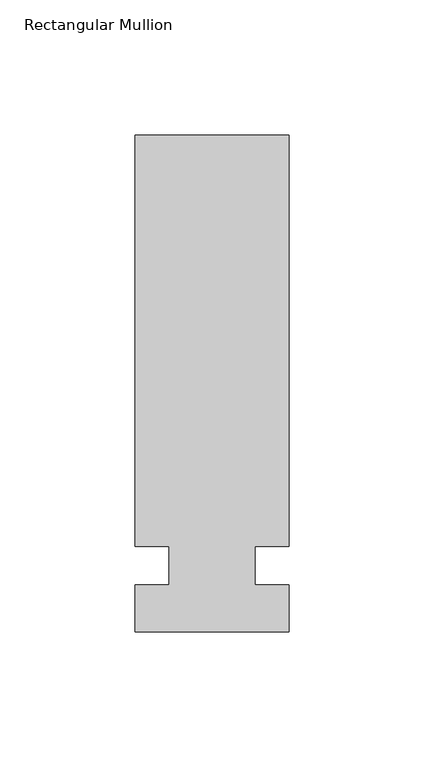
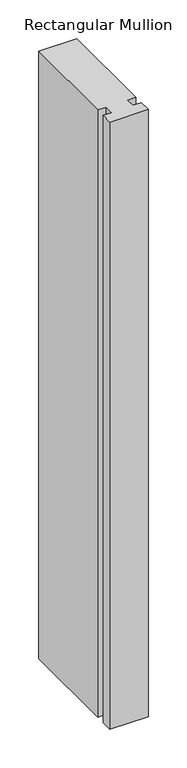
"""IFC4 building model written with IfcOpenShell, lengths in millimetres: member geometry, Rectangular Mullion."""

import ifcopenshell
import ifcopenshell.guid

model = None  # the IFC model being written
_history = None  # IfcOwnerHistory: only IFC2X3 demands one
_inside = {}  # id of a spatial element -> (the spatial element, [elements in it])
_under = {}  # id of a project, library or spatial element -> (it, [spatial elements below it])
_declared = {}  # id of a project -> (the project, [libraries it declares])
_typed = {}  # id of a type object -> (the type object, [elements of that type])
_made_of = {}  # id of a material, layer set ... -> (it, [elements and type objects made of it])


def new_model(schema):
    """Start an empty IFC model of exactly this schema.

    Asked for "IFC4X3", IfcOpenShell would pick the latest addendum, in which some entities
    have other attributes; the version numbers below select the first issue.
    IFC2X3 requires an IfcOwnerHistory on every rooted entity: one is made here for all.
    """
    global model, _history
    if schema == "IFC4X3":
        model = ifcopenshell.file(schema_version=(4, 3, 0, 0))
    else:
        model = ifcopenshell.file(schema=schema)
    _inside.clear()
    _under.clear()
    _declared.clear()
    _typed.clear()
    _made_of.clear()
    _history = None
    if model.schema == "IFC2X3":
        org = make("IfcOrganization", Name="unknown")
        user = make(
            "IfcPersonAndOrganization",
            ThePerson=make("IfcPerson", FamilyName="unknown"),
            TheOrganization=org,
        )
        app = make(
            "IfcApplication",
            ApplicationDeveloper=org,
            Version="unknown",
            ApplicationFullName="unknown",
            ApplicationIdentifier="unknown",
        )
        _history = make(
            "IfcOwnerHistory",
            OwningUser=user,
            OwningApplication=app,
            ChangeAction="ADDED",
            CreationDate=0,
        )
    return model


def make(cls, **values):
    """One entity of the class cls with the attributes given. An attribute that is None is left unset."""
    return model.create_entity(
        cls, **{name: value for name, value in values.items() if value is not None}
    )


def rooted(cls, **values):
    """An entity with a GlobalId (a new one), such as an element, a storey or a relation."""
    return make(cls, GlobalId=ifcopenshell.guid.new(), OwnerHistory=_history, **values)


def si_unit(unit_type, name, prefix=None):
    """IfcSIUnit, for example si_unit("LENGTHUNIT", "METRE", prefix="MILLI")."""
    return make("IfcSIUnit", UnitType=unit_type, Prefix=prefix, Name=name)


def assignment(units):
    """IfcUnitAssignment: the units of a project."""
    return None if units is None else make("IfcUnitAssignment", Units=units)


def point(xyz):
    """IfcCartesianPoint."""
    return None if xyz is None else make("IfcCartesianPoint", Coordinates=xyz)


def direction(xyz):
    """IfcDirection."""
    return None if xyz is None else make("IfcDirection", DirectionRatios=xyz)


def frame(location, z_axis=None, x_axis=None):
    """IfcAxis2Placement3D, a coordinate frame: its origin and axes. An axis left out is left unset."""
    return make(
        "IfcAxis2Placement3D",
        Location=point(location),
        Axis=direction(z_axis),
        RefDirection=direction(x_axis),
    )


def origin():
    """The frame at (0, 0, 0) with its axes left unset."""
    return frame((0.0, 0.0, 0.0))


def place(relative_to, where):
    """IfcLocalPlacement: puts the frame where relative to a parent placement (None: the world)."""
    return make(
        "IfcLocalPlacement", PlacementRelTo=relative_to, RelativePlacement=where
    )


def context(
    kind, dimensions, precision=None, world=None, true_north=None, identifier=None
):
    """IfcGeometricRepresentationContext, for example the 3D "Model" context."""
    return make(
        "IfcGeometricRepresentationContext",
        ContextIdentifier=identifier,
        ContextType=kind,
        CoordinateSpaceDimension=dimensions,
        Precision=precision,
        WorldCoordinateSystem=world,
        TrueNorth=true_north,
    )


def project(units=None, contexts=None):
    """IfcProject with its units and contexts."""
    return rooted(
        "IfcProject",
        Name="project",
        RepresentationContexts=contexts,
        UnitsInContext=assignment(units),
    )


def spatial(cls, under=None, at=None, **own):
    """A site, building, storey or space (cls), placed at a placement, below another one or the project."""
    s = rooted(cls, ObjectPlacement=at, **own)
    if under is not None:
        _under.setdefault(under.id(), (under, []))[1].append(s)
    return s


def polyline(points):
    """IfcPolyline through the points."""
    return make("IfcPolyline", Points=[point(p) for p in points])


def outline(outer, holes=None, kind="AREA"):
    """IfcArbitraryClosedProfileDef: a profile drawn as a closed curve; with holes, ...WithVoids."""
    if holes is None:
        return make("IfcArbitraryClosedProfileDef", ProfileType=kind, OuterCurve=outer)
    return make(
        "IfcArbitraryProfileDefWithVoids",
        ProfileType=kind,
        OuterCurve=outer,
        InnerCurves=holes,
    )


def extrude(swept, where, along, depth):
    """IfcExtrudedAreaSolid: the profile swept, set in the frame where, extruded along a direction by depth."""
    return make(
        "IfcExtrudedAreaSolid",
        SweptArea=swept,
        Position=where,
        ExtrudedDirection=direction(along),
        Depth=depth,
    )


def shape(context_of_items, identifier, shape_type, items):
    """IfcShapeRepresentation: the items that make up one representation, for example the "Body"."""
    return make(
        "IfcShapeRepresentation",
        ContextOfItems=context_of_items,
        RepresentationIdentifier=identifier,
        RepresentationType=shape_type,
        Items=items,
    )


def source(mapping_origin, context_of_items, identifier, shape_type, items):
    """IfcRepresentationMap: a shape defined once, which mapped items show again and again."""
    return make(
        "IfcRepresentationMap",
        MappingOrigin=mapping_origin,
        MappedRepresentation=shape(context_of_items, identifier, shape_type, items),
    )


def transform(
    local_origin,
    x_axis=None,
    y_axis=None,
    z_axis=None,
    scale=None,
    scale2=None,
    scale3=None,
    uniform=True,
):
    """IfcCartesianTransformationOperator3D, or its non-uniform kind. x_axis, y_axis, z_axis: its Axis1, 2, 3."""
    if uniform:
        return make(
            "IfcCartesianTransformationOperator3D",
            Axis1=direction(x_axis),
            Axis2=direction(y_axis),
            LocalOrigin=point(local_origin),
            Scale=scale,
            Axis3=direction(z_axis),
        )
    return make(
        "IfcCartesianTransformationOperator3DnonUniform",
        Axis1=direction(x_axis),
        Axis2=direction(y_axis),
        LocalOrigin=point(local_origin),
        Scale=scale,
        Axis3=direction(z_axis),
        Scale2=scale2,
        Scale3=scale3,
    )


def mapped(mapping_source, mapping_target):
    """IfcMappedItem: shows the shape of a source again, moved by a transform."""
    return make(
        "IfcMappedItem", MappingSource=mapping_source, MappingTarget=mapping_target
    )


def made_of(thing, what):
    """Note that an element or type object is made of a material, layer set ...; save() writes the relation."""
    if what is not None:
        _made_of.setdefault(what.id(), (what, []))[1].append(thing)
    return thing


def element(
    cls,
    number,
    at=None,
    inside=None,
    cuts=None,
    type_object=None,
    material=None,
    context=None,
    identifier="Body",
    shape_type=None,
    held_by="IfcProductDefinitionShape",
    body=None,
    shapes=None,
    **own,
):
    """One element of the class cls, such as IfcWall. Its Tag is "e" and its number.

    at: its placement. inside: the storey or other place that contains it. cuts: it is an
    opening in that element (IfcRelVoidsElement). A single representation is given by context,
    identifier, shape_type and body (its items); several are given by shapes. held_by: the class
    of the entity that holds the representations. save() writes the other relations.
    """
    e = rooted(cls, Tag="e%d" % number, ObjectPlacement=at, **own)
    if body is not None:
        shapes = [shape(context, identifier, shape_type, body)]
    if shapes is not None:
        e.Representation = make(held_by, Representations=shapes)
    if inside is not None:
        _inside.setdefault(inside.id(), (inside, []))[1].append(e)
    if cuts is not None:
        rooted(
            "IfcRelVoidsElement", RelatingBuildingElement=cuts, RelatedOpeningElement=e
        )
    if type_object is not None:
        _typed.setdefault(type_object.id(), (type_object, []))[1].append(e)
    return made_of(e, material)


def aggregate(whole, parts):
    """IfcRelAggregates: a whole, such as a stair, and the parts it consists of."""
    return rooted("IfcRelAggregates", RelatingObject=whole, RelatedObjects=parts)


def save(model, path):
    """Write the relations noted so far, then the file.

    IfcRelAggregates (storeys below a building ...), IfcRelContainedInSpatialStructure (elements
    in a storey), IfcRelDefinesByType, IfcRelAssociatesMaterial and IfcRelDeclares: one each for
    every whole, place, type object, material and project.
    """
    for whole, parts in _under.values():
        aggregate(whole, parts)
    for where, things in _inside.values():
        rooted(
            "IfcRelContainedInSpatialStructure",
            RelatedElements=things,
            RelatingStructure=where,
        )
    for kind, things in _typed.values():
        rooted("IfcRelDefinesByType", RelatedObjects=things, RelatingType=kind)
    for what, things in _made_of.values():
        rooted("IfcRelAssociatesMaterial", RelatedObjects=things, RelatingMaterial=what)
    for by, libraries in _declared.values():
        rooted("IfcRelDeclares", RelatingContext=by, RelatedDefinitions=libraries)
    model.write(path)


def rectangular_mullion_f9dd9e03(model_context):
    return source(origin(), model_context, "Body", "SweptSolid", [
        extrude(outline(polyline([(32.9094027, 159.54375), (32.9094027, 7.14375), (20.2076322, 7.14375), (20.2076322, -7.14375), (32.9094027, -7.14375), (32.9094027, -24.60625), (-24.2405973, -24.60625), (-24.2405973, -7.14375), (-11.5405973, -7.14375), (-11.5405973, 7.14375), (-24.2405973, 7.14375), (-24.2405973, 159.54375), (32.9094027, 159.54375)])), frame((0.0, 0.0, -958.85), z_axis=(0.0, 0.0, 1.0), x_axis=(1.0, 0.0, 0.0)), (0.0, 0.0, 1.0), 958.85),
    ])


if __name__ == "__main__":
    model = new_model("IFC4")
    model_context = context("Model", 3, world=origin())
    ifc_project = project(units=[si_unit("LENGTHUNIT", "METRE", prefix="MILLI")], contexts=[model_context])
    site = spatial("IfcSite", under=ifc_project)
    building = spatial("IfcBuilding", under=site)
    placement = place(None, origin())
    rectangular_mullion_shape = rectangular_mullion_f9dd9e03(model_context)
    element("IfcMember", 1, ObjectType="Rectangular Mullion", at=placement, inside=building, context=model_context, shape_type="MappedRepresentation", body=[
        mapped(rectangular_mullion_shape, transform((0.0, 0.0, 0.0), x_axis=(1.0, 0.0, 0.0), y_axis=(0.0, 1.0, 0.0), z_axis=(0.0, 0.0, 1.0))),
    ])
    save(model, "model.ifc")
